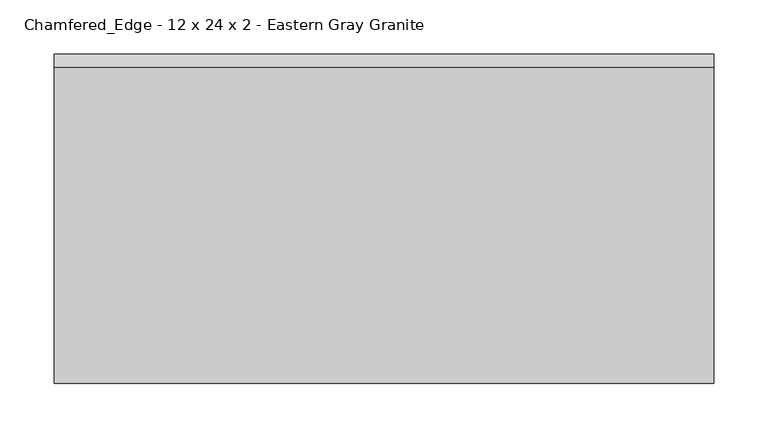
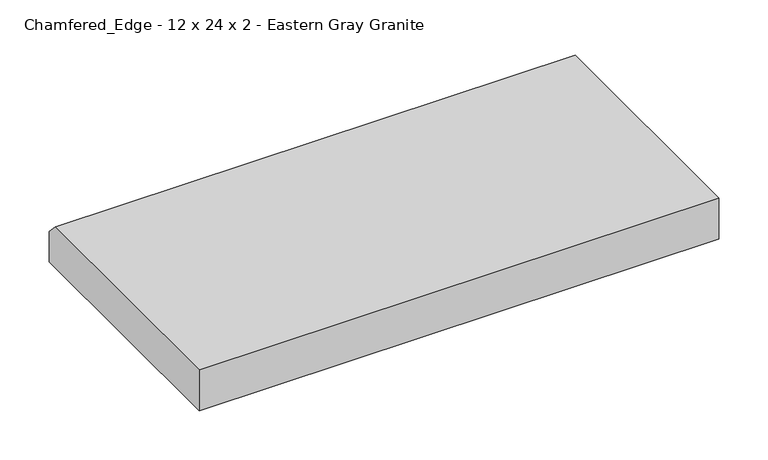
"""IFC4 building model written with IfcOpenShell, lengths in millimetres: proxy geometry, Chamfered_Edge - 12 x 24 x 2 - Eastern Gray Granite."""

from ifc_helpers import new_model, si_unit, frame, origin, place, context, project, spatial, polyline, outline, extrude, source, transform, mapped, element, save


def chamfered_edge_12_x_24_x_2_eastern_gray_granite_11ed8e1e(model_context):
    return source(origin(), model_context, "Body", "SweptSolid", [
        extrude(outline(polyline([(304.8, 0.0), (0.0, 0.0), (0.0, 50.8), (292.1, 50.8), (304.8, 38.1), (304.8, 0.0)])), frame((0.0, 0.0, 0.0), z_axis=(1.0, 0.0, 0.0), x_axis=(0.0, 1.0, 0.0)), (0.0, 0.0, 1.0), 609.6),
    ])


if __name__ == "__main__":
    model = new_model("IFC4")
    model_context = context("Model", 3, world=origin())
    ifc_project = project(units=[si_unit("LENGTHUNIT", "METRE", prefix="MILLI")], contexts=[model_context])
    site = spatial("IfcSite", under=ifc_project)
    building = spatial("IfcBuilding", under=site)
    placement = place(None, origin())
    chamfered_edge_12_x_24_x_2_eastern_gray_granite_shape = chamfered_edge_12_x_24_x_2_eastern_gray_granite_11ed8e1e(model_context)
    element("IfcBuildingElementProxy", 1, Name="Chamfered_Edge - 12 x 24 x 2 - Eastern Gray Granite", ObjectType="Chamfered_Edge - 12 x 24 x 2 - Eastern Gray Granite", at=placement, inside=building, context=model_context, shape_type="MappedRepresentation", body=[
        mapped(chamfered_edge_12_x_24_x_2_eastern_gray_granite_shape, transform((0.0, 0.0, 0.0), x_axis=(1.0, 0.0, 0.0), y_axis=(0.0, 1.0, 0.0), z_axis=(0.0, 0.0, 1.0))),
    ])
    save(model, "model.ifc")
